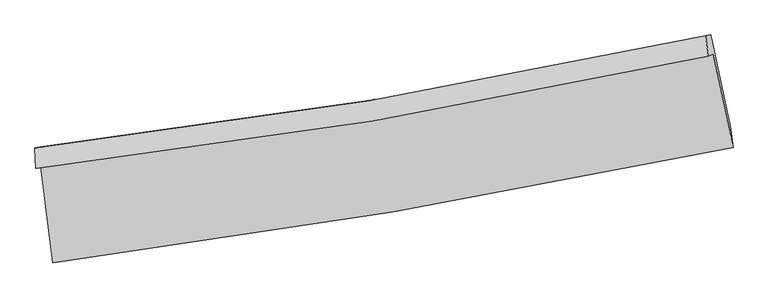
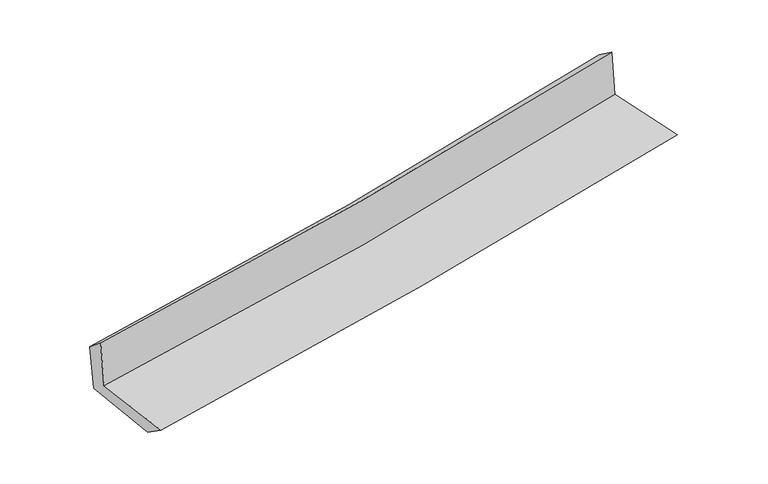
"""IFC4 building model written with IfcOpenShell, lengths in millimetres: proxy geometry."""

from ifc_helpers import new_model, si_unit, frame, origin, place, context, project, spatial, source, transform, mapped, element, save
from ifc_brep_helpers import plane_surface, spline_curve, spline_surface, advanced_brep


def generic_models_230b86e4(model_context):
    return source(origin(), model_context, "Body", "AdvancedBrep", [
        advanced_brep(
        [(-2365.4663953, -1871.8303139, 1672.4053709), (-2283.899029, -2543.487273, 1663.3765916), (2452.2503382, -1740.016077, 2102.9190214), (2315.0609862, -1087.6432081, 2106.4620962), (-2400.717204, -1886.3218407, 2072.0151961), (2280.5054397, -1101.8489142, 2498.1902981), (-2406.9123295, -1741.4735253, 1950.8629895), (2260.57123, -959.6587423, 2394.94108), (-2372.5535198, -1735.6568524, 1572.1525387), (2296.0995976, -953.6472646, 2010.9993523), (-2292.9444341, -2376.6066846, 1544.4070465), (2431.8443624, -1590.3700412, 1988.2706653)],
        [
            (0, 1),
            (1, 2, spline_curve(3, [(-2283.899029, -2543.487273, 1663.3765916), (-1492.895449059, -2440.122951252, 1735.552606988), (-704.318781164, -2321.820049558, 1808.117745136), (874.437704605, -2054.242718916, 1954.625469961), (1664.577492595, -1904.721888545, 2028.57447524), (2452.2503382, -1740.016077, 2102.9190214)], [4, 2, 4], [0.0, 7.835461274362889, 15.735278452345426])),
            (2, 3),
            (3, 0, spline_curve(3, [(2315.0609862, -1087.6432081, 2106.4620962), (1538.603751987, -1258.569674857, 2032.982072326), (758.721992148, -1409.567932564, 1959.924449465), (-801.509370231, -1670.640266574, 1815.245728368), (-1581.803404048, -1781.037710824, 1743.617776298), (-2365.4663953, -1871.8303139, 1672.4053709)], [4, 2, 4], [0.0, 7.899817177982537, 15.735278452345426])),
            (4, 0),
            (3, 5),
            (5, 4, spline_curve(3, [(2280.5054397, -1101.8489142, 2498.1902981), (1503.700100555, -1272.918486231, 2428.656458487), (723.586586492, -1424.012017487, 2358.226043257), (-836.874641843, -1685.178848765, 2216.15312766), (-1617.168675875, -1795.57629318, 2144.525175441), (-2400.717204, -1886.3218407, 2072.0151961)], [4, 2, 4], [0.0, 7.852492907173647, 15.641015438157261])),
            (6, 4),
            (5, 7),
            (7, 6, spline_curve(3, [(2260.57123, -959.6587423, 2394.94108), (1486.066081605, -1130.210511716, 2323.411038051), (708.252267208, -1280.822872879, 2250.482459837), (-847.629274674, -1541.104250998, 2102.43373601), (-1625.643313251, -1651.096817417, 2027.336284334), (-2406.9123295, -1741.4735253, 1950.8629895)], [4, 2, 4], [0.0, 7.842381929343277, 15.620875851632423])),
            (8, 6),
            (7, 9),
            (9, 8, spline_curve(3, [(2296.0995976, -953.6472646, 2010.9993523), (1521.55193584, -1124.210830093, 1938.599259056), (743.618689942, -1274.845432082, 1865.676946987), (-812.65395264, -1535.191914524, 1719.386202081), (-1590.938412434, -1645.227175034, 1646.026242869), (-2372.5535198, -1735.6568524, 1572.1525387)], [4, 2, 4], [0.0, 7.832839477313055, 15.60186868520936])),
            (10, 8),
            (9, 11),
            (11, 10, spline_curve(3, [(2431.8443624, -1590.3700412, 1988.2706653), (1646.045949803, -1753.875392495, 1915.298231227), (857.794019007, -1901.350463081, 1841.669425137), (-717.175391968, -2163.169226625, 1693.704235065), (-1503.853060349, -2277.773037176, 1619.378501183), (-2292.9444341, -2376.6066846, 1544.4070465)], [4, 2, 4], [0.0, 7.879193665152795, 15.694199436245412])),
            (1, 10),
            (11, 2),
        ],
        [
            spline_surface(3, 3, [[(-2365.4663953, -1871.8303139, 1672.4053709), (-1581.803404171, -1781.037710812, 1743.617776335), (-801.509370249, -1670.640266548, 1815.245728434), (758.721992167, -1409.56793259, 1959.924449398), (1538.603752042, -1258.569674936, 2032.982072372), (2315.0609862, -1087.6432081, 2106.4620962)], [(-2338.277273189, -2095.715966917, 1669.395777804), (-1552.167419103, -2000.732790924, 1740.929386583), (-769.112507254, -1887.700194219, 1812.86973398), (797.29389633, -1624.45952802, 1958.158122942), (1580.594998901, -1473.953746126, 2031.512873333), (2360.790770179, -1305.100831074, 2105.28107125)], [(-2311.088151111, -2319.601619983, 1666.386184696), (-1522.531434068, -2220.427871086, 1738.240996817), (-736.715644234, -2104.760121906, 1810.493739523), (835.865800518, -1839.351123466, 1956.391796484), (1622.586245822, -1689.337817294, 2030.043674343), (2406.520554221, -1522.558454026, 2104.10004635)], [(-2283.899029, -2543.487273, 1663.3765916), (-1492.895449, -2440.122951198, 1735.552607065), (-704.318781239, -2321.820049577, 1808.11774507), (874.437704681, -2054.242718897, 1954.625470028), (1664.577492681, -1904.721888484, 2028.574475303), (2452.2503382, -1740.016077, 2102.9190214)]], [4, 4], [4, 2, 4], [0.0, 2.1542968376164016], [0.0, 7.835461274362889, 15.735278452345426]),
            spline_surface(3, 3, [[(-2400.717204, -1886.3218407, 2072.0151961), (-1617.168675842, -1795.576293078, 2144.525175392), (-836.87464192, -1685.178848813, 2216.15312759), (723.58658657, -1424.012017438, 2358.226043328), (1503.700100527, -1272.918486211, 2428.656458481), (2280.5054397, -1101.8489142, 2498.1902981)], [(-2388.966934448, -1881.491331765, 1938.811921021), (-1605.380251966, -1790.730098987, 2010.889375694), (-825.086218044, -1680.332654723, 2082.517327892), (735.298388421, -1419.197322487, 2225.458845372), (1515.334651025, -1268.135549115, 2296.764996456), (2292.023955193, -1097.113678828, 2367.614230811)], [(-2377.216664852, -1876.660822835, 1805.608645979), (-1593.591828047, -1785.883904903, 1877.253576033), (-813.297794125, -1675.486460638, 1948.881528131), (747.010190316, -1414.382627541, 2092.691647354), (1526.969201544, -1263.352612033, 2164.873534398), (2303.542470707, -1092.378443472, 2237.038163489)], [(-2365.4663953, -1871.8303139, 1672.4053709), (-1581.803404171, -1781.037710812, 1743.617776335), (-801.509370249, -1670.640266548, 1815.245728434), (758.721992167, -1409.56793259, 1959.924449398), (1538.603752042, -1258.569674936, 2032.982072372), (2315.0609862, -1087.6432081, 2106.4620962)]], [4, 4], [4, 2, 4], [0.0, 1.3169525541138625], [0.0, 7.788522530983614, 15.641015438157261]),
            spline_surface(3, 3, [[(-2406.9123295, -1741.4735253, 1950.8629895), (-1625.643313372, -1651.096817412, 2027.336284245), (-847.629274595, -1541.10425091, 2102.433736075), (708.252267129, -1280.822872968, 2250.482459772), (1486.066081497, -1130.210511766, 2323.411038163), (2260.57123, -959.6587423, 2394.94108)], [(-2404.847287649, -1789.756297128, 1991.247058362), (-1622.818434178, -1699.256642662, 2066.399247956), (-844.044397042, -1589.129116871, 2140.340199924), (713.363706938, -1328.552587784, 2286.396987634), (1491.944087857, -1177.779836586, 2358.492844948), (2267.215966584, -1007.055466272, 2429.357486046)], [(-2402.782245851, -1838.039068872, 2031.631127238), (-1619.993555036, -1747.416467827, 2105.462211682), (-840.459519473, -1637.153982853, 2178.246663741), (718.475146762, -1376.282302622, 2322.311515465), (1497.822094166, -1225.349161391, 2393.574651696), (2273.860703116, -1054.452190228, 2463.773892054)], [(-2400.717204, -1886.3218407, 2072.0151961), (-1617.168675842, -1795.576293078, 2144.525175392), (-836.87464192, -1685.178848813, 2216.15312759), (723.58658657, -1424.012017438, 2358.226043328), (1503.700100527, -1272.918486211, 2428.656458481), (2280.5054397, -1101.8489142, 2498.1902981)]], [4, 4], [4, 2, 4], [0.0, 0.596497627669492], [0.0, 7.7784939222891465, 15.620875851632423]),
            spline_surface(3, 3, [[(-2372.5535198, -1735.6568524, 1572.1525387), (-1590.9384124, -1645.227175141, 1646.026242801), (-812.653952584, -1535.191914484, 1719.386202007), (743.618689886, -1274.845432122, 1865.676947061), (1521.551935881, -1124.210830153, 1938.599259062), (2296.0995976, -953.6472646, 2010.9993523)], [(-2384.006456375, -1737.595743356, 1698.389355645), (-1602.506712732, -1647.183722553, 1773.129589961), (-824.312393226, -1537.162693305, 1847.068713331), (731.829882328, -1276.837912416, 1993.945451265), (1509.723317762, -1126.210724018, 2066.869852085), (2284.256808409, -955.651090495, 2138.979928189)], [(-2395.459392925, -1739.534634344, 1824.626172555), (-1614.07501304, -1649.140269999, 1900.232937085), (-835.970833953, -1539.13347209, 1974.751224752), (720.041074687, -1278.830392674, 2122.213955568), (1497.894699616, -1128.2106179, 2195.14044514), (2272.414019191, -957.654916405, 2266.960504111)], [(-2406.9123295, -1741.4735253, 1950.8629895), (-1625.643313372, -1651.096817412, 2027.336284245), (-847.629274595, -1541.10425091, 2102.433736075), (708.252267129, -1280.822872968, 2250.482459772), (1486.066081497, -1130.210511766, 2323.411038163), (2260.57123, -959.6587423, 2394.94108)]], [4, 4], [4, 2, 4], [0.0, 1.2650499591993076], [0.0, 7.769029207896306, 15.60186868520936]),
            spline_surface(3, 3, [[(-2292.9444341, -2376.6066846, 1544.4070465), (-1503.853060221, -2277.773037188, 1619.378501191), (-717.175392071, -2163.169226582, 1693.704234947), (857.79401911, -1901.350463124, 1841.669425255), (1646.045949833, -1753.875392612, 1915.298231102), (2431.8443624, -1590.3700412, 1988.2706653)], [(-2319.480796012, -2162.956740519, 1553.655543893), (-1532.881510959, -2066.924416492, 1628.26108172), (-749.001578936, -1953.843455878, 1702.264890634), (819.735576008, -1692.515452785, 1849.671932524), (1604.547945185, -1543.987205132, 1923.065240412), (2386.596107469, -1378.129115673, 1995.84689429)], [(-2346.017157888, -1949.306796481, 1562.904041307), (-1561.909961661, -1856.075795837, 1637.143662272), (-780.827765718, -1744.517685189, 1710.82554632), (781.677132988, -1483.680442462, 1857.674439792), (1563.04994053, -1334.099017633, 1930.832249752), (2341.347852531, -1165.888190127, 2003.42312331)], [(-2372.5535198, -1735.6568524, 1572.1525387), (-1590.9384124, -1645.227175141, 1646.026242801), (-812.653952584, -1535.191914484, 1719.386202007), (743.618689886, -1274.845432122, 1865.676947061), (1521.551935881, -1124.210830153, 1938.599259062), (2296.0995976, -953.6472646, 2010.9993523)]], [4, 4], [4, 2, 4], [0.0, 2.088031865977404], [0.0, 7.8150057710926175, 15.694199436245412]),
            spline_surface(3, 3, [[(-2283.899029, -2543.487273, 1663.3765916), (-1492.895449, -2440.122951198, 1735.552607065), (-704.318781239, -2321.820049577, 1808.11774507), (874.437704681, -2054.242718897, 1954.625470028), (1664.577492681, -1904.721888484, 2028.574475303), (2452.2503382, -1740.016077, 2102.9190214)], [(-2286.914164028, -2487.860410215, 1623.720076575), (-1496.547986068, -2386.00631321, 1696.827905115), (-708.604318156, -2268.93644192, 1769.979908362), (868.889809518, -2003.278633647, 1916.973455103), (1658.400311731, -1854.439723185, 1990.81572725), (2445.448346266, -1690.134065058, 2064.702902714)], [(-2289.929299072, -2432.233547385, 1584.063561525), (-1500.200523153, -2331.889675176, 1658.10320314), (-712.889855154, -2216.052834239, 1731.842071655), (863.341914273, -1952.314548374, 1879.32144018), (1652.223130783, -1804.157557912, 1953.056979155), (2438.646354334, -1640.252053142, 2026.486783986)], [(-2292.9444341, -2376.6066846, 1544.4070465), (-1503.853060221, -2277.773037188, 1619.378501191), (-717.175392071, -2163.169226582, 1693.704234947), (857.79401911, -1901.350463124, 1841.669425255), (1646.045949833, -1753.875392612, 1915.298231102), (2431.8443624, -1590.3700412, 1988.2706653)]], [4, 4], [4, 2, 4], [0.0, 0.634470310008308], [0.0, 7.871461542602755, 15.807574674007178]),
            plane_surface(frame((2339.388659, -1238.8640413, 2183.6304189), z_axis=(0.9744228498961792, 0.20440706621040403, 0.09336948582628012), x_axis=(-0.09213097627266972, -0.015588763168643887, 0.9956248659379279))),
            plane_surface(frame((-2353.7488186, -2025.8960817, 1745.8699556), z_axis=(-0.988686420078231, -0.11883773521291106, -0.09152461659224692), x_axis=(-0.12054553245938683, 0.992618119201565, 0.013343314312069412))),
        ],
        [
            (0, [[1, 2, 3, 4]]),
            (1, [[5, -4, 6, 7]]),
            (2, [[8, -7, 9, 10]]),
            (3, [[11, -10, 12, 13]]),
            (4, [[14, -13, 15, 16]]),
            (5, [[17, -16, 18, -2]]),
            (6, [[-12, -9, -6, -3, -18, -15]]),
            (7, [[-1, -5, -8, -11, -14, -17]]),
        ],
    ),
    ])


if __name__ == "__main__":
    model = new_model("IFC4")
    model_context = context("Model", 3, world=origin())
    ifc_project = project(units=[si_unit("LENGTHUNIT", "METRE", prefix="MILLI")], contexts=[model_context])
    site = spatial("IfcSite", under=ifc_project)
    building = spatial("IfcBuilding", under=site)
    placement = place(None, origin())
    generic_models_shape = generic_models_230b86e4(model_context)
    element("IfcBuildingElementProxy", 1, Name="Generic Models", at=placement, inside=building, context=model_context, shape_type="MappedRepresentation", body=[
        mapped(generic_models_shape, transform((0.0, 0.0, 0.0), x_axis=(1.0, 0.0, 0.0), y_axis=(0.0, 1.0, 0.0), z_axis=(0.0, 0.0, 1.0))),
    ])
    save(model, "model.ifc")
